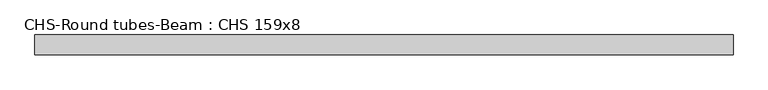
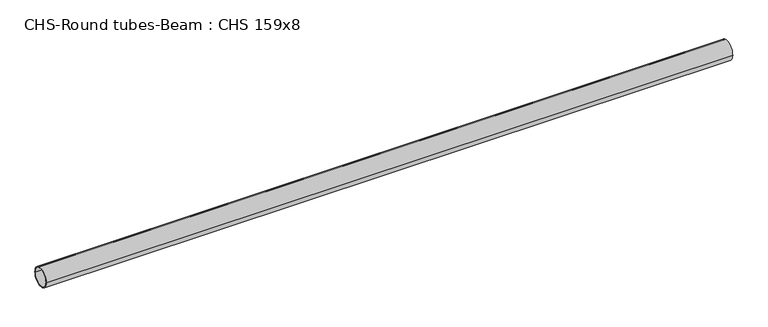
"""IFC4 building model written with IfcOpenShell, lengths in millimetres: beam geometry, CHS-Round tubes-Beam : CHS 159x8."""

from ifc_helpers import new_model, si_unit, point, frame, origin, origin_2d, place, context, project, spatial, circle_curve, trimmed, segment, composite_curve, outline, extrude, source, transform, mapped, element, save


def chs_round_tubes_beam_chs_159x8_36bfbd6c(model_context):
    return source(origin(), model_context, "Body", "SweptSolid", [
        extrude(outline(composite_curve([segment(trimmed(circle_curve(origin_2d(), 79.5), [point((79.5, 0.0))], [point((-79.5, 0.0))], False, "CARTESIAN"), True, "CONTINUOUS"), segment(trimmed(circle_curve(origin_2d(), 79.5), [point((-79.5, 0.0))], [point((79.5, 0.0))], False, "CARTESIAN"), True, "CONTINUOUS")], self_intersect=False), holes=[composite_curve([segment(trimmed(circle_curve(origin_2d(), 71.5), [point((71.5, 0.0))], [point((-71.5, 0.0))], True, "CARTESIAN"), True, "CONTINUOUS"), segment(trimmed(circle_curve(origin_2d(), 71.5), [point((-71.5, 0.0))], [point((71.5, 0.0))], True, "CARTESIAN"), True, "CONTINUOUS")], self_intersect=False)]), frame((-2804.9578587, 0.0, 0.0), z_axis=(1.0, 0.0, 0.0), x_axis=(0.0, 1.0, 0.0)), (0.0, 0.0, 1.0), 5607.1164493),
    ])


if __name__ == "__main__":
    model = new_model("IFC4")
    model_context = context("Model", 3, world=origin())
    ifc_project = project(units=[si_unit("LENGTHUNIT", "METRE", prefix="MILLI")], contexts=[model_context])
    site = spatial("IfcSite", under=ifc_project)
    building = spatial("IfcBuilding", under=site)
    placement = place(None, origin())
    chs_round_tubes_beam_chs_159x8_shape = chs_round_tubes_beam_chs_159x8_36bfbd6c(model_context)
    element("IfcBeam", 1, ObjectType="CHS-Round tubes-Beam : CHS 159x8", at=placement, inside=building, context=model_context, shape_type="MappedRepresentation", body=[
        mapped(chs_round_tubes_beam_chs_159x8_shape, transform((0.0, 0.0, 0.0), x_axis=(1.0, 0.0, 0.0), y_axis=(0.0, 1.0, 0.0), z_axis=(0.0, 0.0, 1.0))),
    ])
    save(model, "model.ifc")
